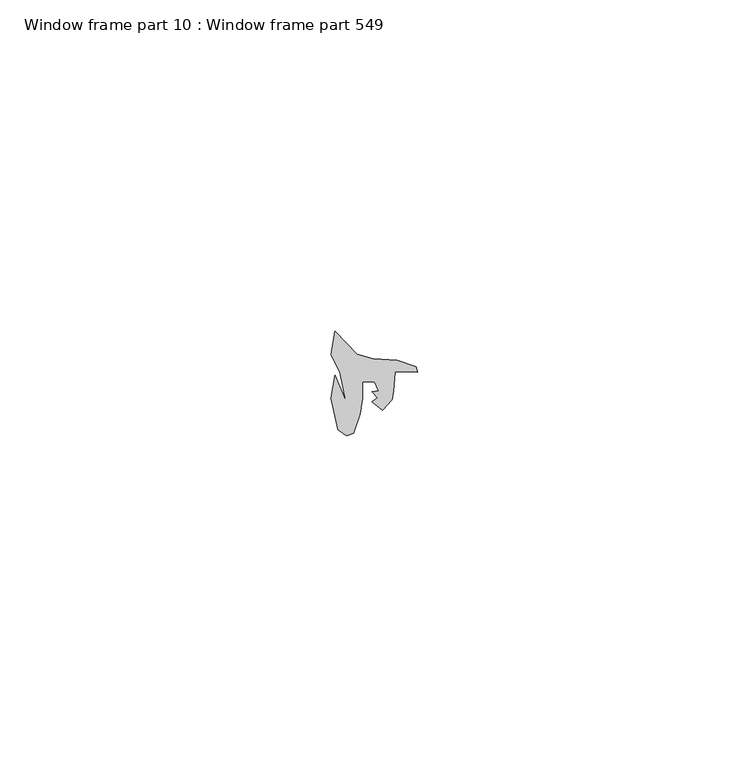
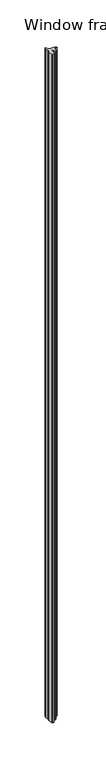
"""IFC4 building model written with IfcOpenShell, lengths in millimetres: proxy geometry, Window frame part 10 : Window frame part 549."""

from ifc_helpers import new_model, si_unit, frame, origin, place, context, project, spatial, polyline, outline, extrude, source, transform, mapped, element, save


def window_frame_part_10_window_frame_part_549_8d035f53(model_context):
    return source(origin(), model_context, "Body", "SweptSolid", [
        extrude(outline(polyline([(37623.8702447, -20653.7887084), (37622.3221998, -20653.9125156), (37622.1364343, -20656.7600816), (37621.888747, -20657.9981538), (37620.4856683, -20659.6447627), (37618.9165007, -20658.3076719), (37619.7214841, -20657.7505394), (37618.8545791, -20656.8219852), (37619.8453277, -20656.698178), (37619.2880316, -20655.3362986), (37617.4250239, -20655.3362986), (37617.4250239, -20657.76715), (37617.0699045, -20660.1994186), (37616.060394, -20663.0483543), (37615.0745886, -20663.4566883), (37613.7714577, -20662.558003), (37612.6936732, -20657.76715), (37613.3280259, -20654.3061356), (37614.9664942, -20658.3248103), (37614.0870146, -20653.9134234), (37612.6936732, -20651.2626555), (37613.3122788, -20647.6818074), (37616.6320178, -20651.1652474), (37619.0149663, -20651.8037565), (37622.6693552, -20652.0492819), (37625.5330384, -20653.0767878), (37625.7893384, -20653.8644301), (37623.8702447, -20653.7887084)])), frame((0.0, 0.0, 910.5119968), z_axis=(0.0, 0.0, 1.0), x_axis=(1.0, 0.0, 0.0)), (0.0, 0.0, 1.0), 914.4),
    ])


if __name__ == "__main__":
    model = new_model("IFC4")
    model_context = context("Model", 3, world=origin())
    ifc_project = project(units=[si_unit("LENGTHUNIT", "METRE", prefix="MILLI")], contexts=[model_context])
    site = spatial("IfcSite", under=ifc_project)
    building = spatial("IfcBuilding", under=site)
    placement = place(None, origin())
    window_frame_part_10_window_frame_part_549_shape = window_frame_part_10_window_frame_part_549_8d035f53(model_context)
    element("IfcBuildingElementProxy", 1, Name="Window frame part 10 : Window frame part 549", ObjectType="Window frame part 10 : Window frame part 549", at=placement, inside=building, context=model_context, shape_type="MappedRepresentation", body=[
        mapped(window_frame_part_10_window_frame_part_549_shape, transform((0.0, 0.0, 0.0), x_axis=(1.0, 0.0, 0.0), y_axis=(0.0, 1.0, 0.0), z_axis=(0.0, 0.0, 1.0))),
    ])
    save(model, "model.ifc")
